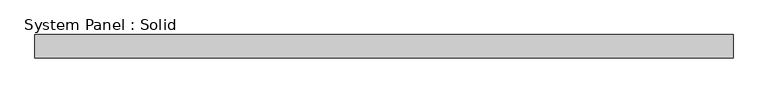
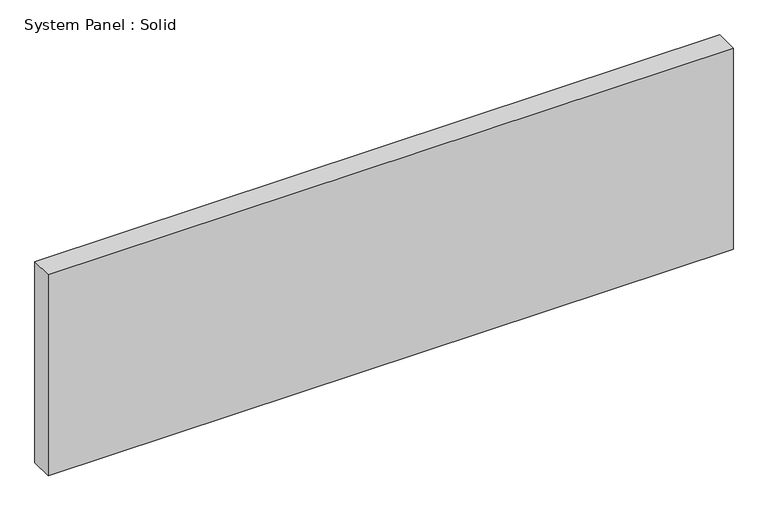
"""IFC4 building model written with IfcOpenShell, lengths in millimetres: plate geometry, System Panel : Solid."""

from ifc_helpers import new_model, si_unit, origin, origin_with_axes, place, context, project, spatial, polyline, outline, extrude, source, transform, mapped, element, save


def system_panel_solid_3ddc0895(model_context):
    return source(origin(), model_context, "Body", "SweptSolid", [
        extrude(outline(polyline([(896.2694209, -10.5), (-896.2694209, -10.5), (-896.2694209, 49.5), (896.2694209, 49.5), (896.2694209, -10.5)])), origin_with_axes(), (0.0, 0.0, 1.0), 556.2568418),
    ])


if __name__ == "__main__":
    model = new_model("IFC4")
    model_context = context("Model", 3, world=origin())
    ifc_project = project(units=[si_unit("LENGTHUNIT", "METRE", prefix="MILLI")], contexts=[model_context])
    site = spatial("IfcSite", under=ifc_project)
    building = spatial("IfcBuilding", under=site)
    placement = place(None, origin())
    system_panel_solid_shape = system_panel_solid_3ddc0895(model_context)
    element("IfcPlate", 1, ObjectType="System Panel : Solid", at=placement, inside=building, context=model_context, shape_type="MappedRepresentation", body=[
        mapped(system_panel_solid_shape, transform((0.0, 0.0, 0.0), x_axis=(1.0, 0.0, 0.0), y_axis=(0.0, 1.0, 0.0), z_axis=(0.0, 0.0, 1.0))),
    ])
    save(model, "model.ifc")
